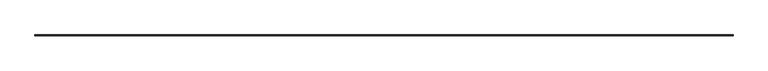
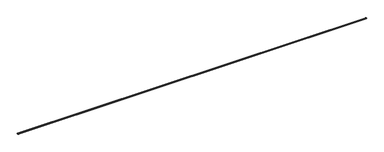
"""IFC4 building model written with IfcOpenShell, lengths in millimetres: railing geometry."""

from ifc_helpers import new_model, si_unit, frame, origin, place, context, project, spatial, polyline, circle_curve, ellipse_curve, source, transform, mapped, element, save
from ifc_brep_helpers import plane_surface, cylinder_surface, revolved_surface, advanced_brep


def railing_92af190b(model_context):
    return source(origin(), model_context, "Body", "AdvancedBrep", [
        advanced_brep(
        [(-23680.3018474, 76102.608383, 656.713617), (-23682.2873717, 76100.6228587, 647.6923086), (-41992.7798845, 76100.6228587, 647.6923086), (-41994.7654088, 76102.608383, 656.713617), (-23692.4260699, 76090.4841604, 647.6923086), (-41982.6411862, 76090.4841604, 647.6923086), (-23693.5336281, 76089.3766023, 710.2155039), (-23693.5336281, 76089.3766023, 711.2076914), (-41981.5336281, 76089.3766023, 711.2076914), (-41981.5336281, 76089.3766023, 710.2155039), (-23692.4260699, 76090.4841604, 648.6844961), (-41982.6411862, 76090.4841604, 648.6844961), (-23688.9064963, 76088.5828523, 710.2155039), (-23686.2913031, 76088.5828523, 706.5764084), (-23682.96413, 76088.5828523, 697.7740484), (-23682.1473596, 76088.5828523, 695.4527562), (-23682.1151282, 76088.5828523, 678.8156138), (-23682.92987, 76088.5828523, 676.5016201), (-23683.277925, 76088.5828523, 669.619758), (-23680.802944, 76088.5828523, 655.8572653), (-23682.3378427, 76088.5828523, 648.6844961), (-23692.4260699, 76088.5828523, 648.6844961), (-23692.4260699, 76088.5828523, 647.6923086), (-23682.2873717, 76088.5828523, 647.6923086), (-23680.3018474, 76088.5828523, 656.713617), (-23682.5098693, 76088.5828523, 668.9916446), (-23682.102361, 76088.5828523, 677.0490367), (-23681.8131277, 76088.5828523, 677.8705045), (-23681.8490233, 76088.5828523, 696.3990286), (-23682.1389768, 76088.5828523, 697.2230873), (-23686.0020665, 76088.5828523, 707.5260865), (-23687.7358472, 76088.5828523, 711.2076914), (-23693.5336281, 76088.5828523, 711.2076914), (-23693.5336281, 76088.5828523, 710.2155039), (-41986.1607599, 76088.5828523, 710.2155039), (-41981.5336281, 76088.5828523, 710.2155039), (-41981.5336281, 76088.5828523, 711.2076914), (-41987.331409, 76088.5828523, 711.2076914), (-41989.0651896, 76088.5828523, 707.5260865), (-41992.9282794, 76088.5828523, 697.2230873), (-41993.2182329, 76088.5828523, 696.3990286), (-41993.2541285, 76088.5828523, 677.8705045), (-41992.9648951, 76088.5828523, 677.0490367), (-41992.5573869, 76088.5828523, 668.9916446), (-41994.7654088, 76088.5828523, 656.713617), (-41992.7798845, 76088.5828523, 647.6923086), (-41982.6411862, 76088.5828523, 647.6923086), (-41982.6411862, 76088.5828523, 648.6844961), (-41992.7294135, 76088.5828523, 648.6844961), (-41994.2643122, 76088.5828523, 655.8572653), (-41991.7893311, 76088.5828523, 669.619758), (-41992.1373862, 76088.5828523, 676.5016201), (-41992.9521279, 76088.5828523, 678.8156138), (-41992.9198965, 76088.5828523, 695.4527562), (-41992.1031261, 76088.5828523, 697.7740484), (-41988.7759531, 76088.5828523, 706.5764084), (-23686.2913031, 76096.6189273, 706.5764084), (-23688.9064963, 76094.0037341, 710.2155039), (-41986.1607599, 76094.0037341, 710.2155039), (-41988.7759531, 76096.6189273, 706.5764084), (-23682.96413, 76099.9461004, 697.7740484), (-41992.1031261, 76099.9461004, 697.7740484), (-23682.1473596, 76100.7628708, 695.4527562), (-41992.9198965, 76100.7628708, 695.4527562), (-23682.1151282, 76100.7951022, 678.8156138), (-41992.9521279, 76100.7951022, 678.8156138), (-23682.92987, 76099.9803604, 676.5016201), (-41992.1373862, 76099.9803604, 676.5016201), (-23683.277925, 76099.6323054, 669.619758), (-41991.7893311, 76099.6323054, 669.619758), (-23680.802944, 76102.1072864, 655.8572653), (-41994.2643122, 76102.1072864, 655.8572653), (-23682.3378427, 76100.5723877, 648.6844961), (-41992.7294135, 76100.5723877, 648.6844961), (-23687.7358472, 76095.1743832, 711.2076914), (-41987.331409, 76095.1743832, 711.2076914), (-23686.0020665, 76096.9081639, 707.5260865), (-41989.0651896, 76096.9081639, 707.5260865), (-23682.1389768, 76100.7712536, 697.2230873), (-41992.9282794, 76100.7712536, 697.2230873), (-23681.8490233, 76101.0612071, 696.3990286), (-41993.2182329, 76101.0612071, 696.3990286), (-23681.8131277, 76101.0971027, 677.8705045), (-41993.2541285, 76101.0971027, 677.8705045), (-23682.102361, 76100.8078694, 677.0490367), (-41992.9648951, 76100.8078694, 677.0490367), (-23682.5098693, 76100.4003611, 668.9916446), (-41992.5573869, 76100.4003611, 668.9916446)],
        [
            (0, 1, ellipse_curve(frame((-23682.7533955, 76100.1568349, 652.524031), z_axis=(-0.7071067811865461, 0.7071067811865488, 0.0), x_axis=(0.7071067811865489, 0.707106781186546, 0.0)), 6.8647971, 4.8541446)),
            (1, 2),
            (2, 3, ellipse_curve(frame((-41992.3138606, 76100.1568349, 652.524031), z_axis=(0.7071067811865488, 0.7071067811865461, 0.0), x_axis=(0.7071067811865462, -0.7071067811865487, 0.0)), 6.8647971, 4.8541446)),
            (3, 0),
            (1, 4),
            (4, 5),
            (5, 2),
            (6, 7),
            (7, 8),
            (8, 9),
            (9, 6),
            (4, 10),
            (10, 11),
            (11, 5),
            (12, 13, circle_curve(frame((-23685.0669614, 76088.5828523, 710.2155039), z_axis=(0.0, -1.0, 0.0), x_axis=(-1.0, 0.0, 0.0)), 3.8395349)),
            (13, 14, circle_curve(frame((-23687.7743258, 76088.5828523, 700.9858527), z_axis=(0.0, 1.0, 0.0), x_axis=(0.2564046523172207, 0.0, 0.9665695289373059)), 5.7839147)),
            (14, 15, circle_curve(frame((-23681.6848227, 76088.5828523, 696.9198452), z_axis=(0.0, -1.0, 0.0), x_axis=(-0.8316505249953481, 0.0, 0.5552993825631016)), 1.5382752)),
            (15, 16, circle_curve(frame((-23684.7716126, 76088.5828523, 687.1290698), z_axis=(0.0, 1.0, 0.0), x_axis=(0.30068544647029055, 0.0, 0.9537233677964287)), 8.7275689)),
            (16, 17, circle_curve(frame((-23681.6469103, 76088.5828523, 677.350328), z_axis=(0.0, -1.0, 0.0), x_axis=(-0.30437850131076744, 0.0, 0.9525511681478382)), 1.5382752)),
            (17, 18, circle_curve(frame((-23687.7743258, 76088.5828523, 673.2968992), z_axis=(0.0, 1.0, 0.0), x_axis=(0.8340248106357641, 0.0, 0.5517269390232616)), 5.8085271)),
            (18, 19, circle_curve(frame((-23676.1572715, 76088.5828523, 663.7965116), z_axis=(0.0, -1.0, 0.0), x_axis=(-0.774103421627437, 0.0, 0.6330591541275545)), 9.1985817)),
            (19, 20, circle_curve(frame((-23682.7533955, 76088.5828523, 652.524031), z_axis=(0.0, 1.0, 0.0), x_axis=(0.5050422631260124, 0.0, 0.8630946138498119)), 3.8619571)),
            (20, 21),
            (21, 22),
            (22, 23),
            (23, 24, circle_curve(frame((-23682.7533955, 76088.5828523, 652.524031), z_axis=(0.0, -1.0, 0.0), x_axis=(0.5050422631260124, 0.0, 0.8630946138498119)), 4.8541446)),
            (24, 25, circle_curve(frame((-23676.1572715, 76088.5828523, 663.7965116), z_axis=(0.0, 1.0, 0.0), x_axis=(-0.774103421627437, 0.0, 0.6330591541275545)), 8.2063942)),
            (25, 26, circle_curve(frame((-23687.7743258, 76088.5828523, 673.2968992), z_axis=(0.0, -1.0, 0.0), x_axis=(0.8340248106357641, 0.0, 0.5517269390232616)), 6.8007146)),
            (26, 27, circle_curve(frame((-23681.6469103, 76088.5828523, 677.350328), z_axis=(0.0, 1.0, 0.0), x_axis=(-0.30437850131076744, 0.0, 0.9525511681478382)), 0.5460877)),
            (27, 28, circle_curve(frame((-23684.7716126, 76088.5828523, 687.1290698), z_axis=(0.0, -1.0, 0.0), x_axis=(0.30068544647029055, 0.0, 0.9537233677964287)), 9.7197564)),
            (28, 29, circle_curve(frame((-23681.6848227, 76088.5828523, 696.9198452), z_axis=(0.0, 1.0, 0.0), x_axis=(-0.8316505249953481, 0.0, 0.5552993825631016)), 0.5460877)),
            (29, 30, circle_curve(frame((-23687.7743258, 76088.5828523, 700.9858527), z_axis=(0.0, -1.0, 0.0), x_axis=(0.2564046523172207, 0.0, 0.9665695289373059)), 6.7761022)),
            (30, 31, circle_curve(frame((-23685.0669614, 76088.5828523, 710.2155039), z_axis=(0.0, 1.0, 0.0), x_axis=(-1.0, 0.0, 0.0)), 2.8473474)),
            (31, 32),
            (32, 33),
            (33, 12),
            (34, 35),
            (35, 36),
            (36, 37),
            (37, 38, circle_curve(frame((-41990.0002948, 76088.5828523, 710.2155039), z_axis=(0.0, 1.0, 0.0), x_axis=(1.0, 0.0, 0.0)), 2.8473474)),
            (38, 39, circle_curve(frame((-41987.2929304, 76088.5828523, 700.9858527), z_axis=(0.0, -1.0, 0.0), x_axis=(-0.2564046523172207, 0.0, 0.9665695289373059)), 6.7761022)),
            (39, 40, circle_curve(frame((-41993.3824335, 76088.5828523, 696.9198452), z_axis=(0.0, 1.0, 0.0), x_axis=(0.8316505249953481, 0.0, 0.5552993825631016)), 0.5460877)),
            (40, 41, circle_curve(frame((-41990.2956436, 76088.5828523, 687.1290698), z_axis=(0.0, -1.0, 0.0), x_axis=(-0.30068544647029055, 0.0, 0.9537233677964287)), 9.7197564)),
            (41, 42, circle_curve(frame((-41993.4203458, 76088.5828523, 677.350328), z_axis=(0.0, 1.0, 0.0), x_axis=(0.30437850131076744, 0.0, 0.9525511681478382)), 0.5460877)),
            (42, 43, circle_curve(frame((-41987.2929304, 76088.5828523, 673.2968992), z_axis=(0.0, -1.0, 0.0), x_axis=(-0.8340248106357641, 0.0, 0.5517269390232616)), 6.8007146)),
            (43, 44, circle_curve(frame((-41998.9099847, 76088.5828523, 663.7965116), z_axis=(0.0, 1.0, 0.0), x_axis=(0.774103421627437, 0.0, 0.6330591541275545)), 8.2063942)),
            (44, 45, circle_curve(frame((-41992.3138606, 76088.5828523, 652.524031), z_axis=(0.0, -1.0, 0.0), x_axis=(-0.5050422631260124, 0.0, 0.8630946138498119)), 4.8541446)),
            (45, 46),
            (46, 47),
            (47, 48),
            (48, 49, circle_curve(frame((-41992.3138606, 76088.5828523, 652.524031), z_axis=(0.0, 1.0, 0.0), x_axis=(-0.5050422631260124, 0.0, 0.8630946138498119)), 3.8619571)),
            (49, 50, circle_curve(frame((-41998.9099847, 76088.5828523, 663.7965116), z_axis=(0.0, -1.0, 0.0), x_axis=(0.774103421627437, 0.0, 0.6330591541275545)), 9.1985817)),
            (50, 51, circle_curve(frame((-41987.2929304, 76088.5828523, 673.2968992), z_axis=(0.0, 1.0, 0.0), x_axis=(-0.8340248106357641, 0.0, 0.5517269390232616)), 5.8085271)),
            (51, 52, circle_curve(frame((-41993.4203458, 76088.5828523, 677.350328), z_axis=(0.0, -1.0, 0.0), x_axis=(0.30437850131076744, 0.0, 0.9525511681478382)), 1.5382752)),
            (52, 53, circle_curve(frame((-41990.2956436, 76088.5828523, 687.1290698), z_axis=(0.0, 1.0, 0.0), x_axis=(-0.30068544647029055, 0.0, 0.9537233677964287)), 8.7275689)),
            (53, 54, circle_curve(frame((-41993.3824335, 76088.5828523, 696.9198452), z_axis=(0.0, -1.0, 0.0), x_axis=(0.8316505249953481, 0.0, 0.5552993825631016)), 1.5382752)),
            (54, 55, circle_curve(frame((-41987.2929304, 76088.5828523, 700.9858527), z_axis=(0.0, 1.0, 0.0), x_axis=(-0.2564046523172207, 0.0, 0.9665695289373059)), 5.7839147)),
            (55, 34, circle_curve(frame((-41990.0002948, 76088.5828523, 710.2155039), z_axis=(0.0, -1.0, 0.0), x_axis=(1.0, 0.0, 0.0)), 3.8395349)),
            (56, 57, ellipse_curve(frame((-23685.0669614, 76097.843269, 710.2155039), z_axis=(-0.7071067811865461, 0.7071067811865488, 0.0), x_axis=(0.7071067811865489, 0.707106781186546, 0.0)), 5.4299223, 3.8395349)),
            (57, 58),
            (58, 59, ellipse_curve(frame((-41990.0002948, 76097.843269, 710.2155039), z_axis=(0.7071067811865488, 0.7071067811865461, 0.0), x_axis=(0.7071067811865462, -0.7071067811865487, 0.0)), 5.4299223, 3.8395349)),
            (59, 56),
            (60, 56, ellipse_curve(frame((-23687.7743258, 76095.1359046, 700.9858527), z_axis=(0.7071067811865461, -0.7071067811865488, 0.0), x_axis=(-0.7071067811865489, -0.707106781186546, 0.0)), 8.1796907, 5.7839147)),
            (59, 61, ellipse_curve(frame((-41987.2929304, 76095.1359046, 700.9858527), z_axis=(-0.7071067811865488, -0.7071067811865461, 0.0), x_axis=(-0.7071067811865462, 0.7071067811865487, 0.0)), 8.1796907, 5.7839147)),
            (61, 60),
            (62, 60, ellipse_curve(frame((-23681.6848227, 76101.2254077, 696.9198452), z_axis=(-0.7071067811865461, 0.7071067811865488, 0.0), x_axis=(0.7071067811865489, 0.707106781186546, 0.0)), 2.1754496, 1.5382752)),
            (61, 63, ellipse_curve(frame((-41993.3824335, 76101.2254077, 696.9198452), z_axis=(0.7071067811865488, 0.7071067811865461, 0.0), x_axis=(0.7071067811865462, -0.7071067811865487, 0.0)), 2.1754496, 1.5382752)),
            (63, 62),
            (64, 62, ellipse_curve(frame((-23684.7716126, 76098.1386178, 687.1290698), z_axis=(0.7071067811865461, -0.7071067811865488, 0.0), x_axis=(-0.7071067811865489, -0.707106781186546, 0.0)), 12.3426463, 8.7275689)),
            (63, 65, ellipse_curve(frame((-41990.2956436, 76098.1386178, 687.1290698), z_axis=(-0.7071067811865488, -0.7071067811865461, 0.0), x_axis=(-0.7071067811865462, 0.7071067811865487, 0.0)), 12.3426463, 8.7275689)),
            (65, 64),
            (66, 64, ellipse_curve(frame((-23681.6469103, 76101.26332, 677.350328), z_axis=(-0.7071067811865461, 0.7071067811865488, 0.0), x_axis=(0.7071067811865489, 0.707106781186546, 0.0)), 2.1754496, 1.5382752)),
            (65, 67, ellipse_curve(frame((-41993.4203458, 76101.26332, 677.350328), z_axis=(0.7071067811865488, 0.7071067811865461, 0.0), x_axis=(0.7071067811865462, -0.7071067811865487, 0.0)), 2.1754496, 1.5382752)),
            (67, 66),
            (68, 66, ellipse_curve(frame((-23687.7743258, 76095.1359046, 673.2968992), z_axis=(0.7071067811865461, -0.7071067811865488, 0.0), x_axis=(-0.7071067811865489, -0.707106781186546, 0.0)), 8.2144978, 5.8085271)),
            (67, 69, ellipse_curve(frame((-41987.2929304, 76095.1359046, 673.2968992), z_axis=(-0.7071067811865488, -0.7071067811865461, 0.0), x_axis=(-0.7071067811865462, 0.7071067811865487, 0.0)), 8.2144978, 5.8085271)),
            (69, 68),
            (70, 68, ellipse_curve(frame((-23676.1572715, 76106.7529589, 663.7965116), z_axis=(-0.7071067811865461, 0.7071067811865488, 0.0), x_axis=(0.7071067811865489, 0.707106781186546, 0.0)), 13.0087589, 9.1985817)),
            (69, 71, ellipse_curve(frame((-41998.9099847, 76106.7529589, 663.7965116), z_axis=(0.7071067811865488, 0.7071067811865461, 0.0), x_axis=(0.7071067811865462, -0.7071067811865487, 0.0)), 13.0087589, 9.1985817)),
            (71, 70),
            (72, 70, ellipse_curve(frame((-23682.7533955, 76100.1568349, 652.524031), z_axis=(0.7071067811865461, -0.7071067811865488, 0.0), x_axis=(-0.7071067811865489, -0.707106781186546, 0.0)), 5.461632, 3.8619571)),
            (71, 73, ellipse_curve(frame((-41992.3138606, 76100.1568349, 652.524031), z_axis=(-0.7071067811865488, -0.7071067811865461, 0.0), x_axis=(-0.7071067811865462, 0.7071067811865487, 0.0)), 5.461632, 3.8619571)),
            (73, 72),
            (10, 72),
            (73, 11),
            (7, 74),
            (74, 75),
            (75, 8),
            (74, 76, ellipse_curve(frame((-23685.0669614, 76097.843269, 710.2155039), z_axis=(0.7071067811865461, -0.7071067811865488, 0.0), x_axis=(-0.7071067811865489, -0.707106781186546, 0.0)), 4.0267573, 2.8473474)),
            (76, 77),
            (77, 75, ellipse_curve(frame((-41990.0002948, 76097.843269, 710.2155039), z_axis=(-0.7071067811865488, -0.7071067811865461, 0.0), x_axis=(-0.7071067811865462, 0.7071067811865487, 0.0)), 4.0267573, 2.8473474)),
            (76, 78, ellipse_curve(frame((-23687.7743258, 76095.1359046, 700.9858527), z_axis=(-0.7071067811865461, 0.7071067811865488, 0.0), x_axis=(0.7071067811865489, 0.707106781186546, 0.0)), 9.5828557, 6.7761022)),
            (78, 79),
            (79, 77, ellipse_curve(frame((-41987.2929304, 76095.1359046, 700.9858527), z_axis=(0.7071067811865488, 0.7071067811865461, 0.0), x_axis=(0.7071067811865462, -0.7071067811865487, 0.0)), 9.5828557, 6.7761022)),
            (78, 80, ellipse_curve(frame((-23681.6848227, 76101.2254077, 696.9198452), z_axis=(0.7071067811865461, -0.7071067811865488, 0.0), x_axis=(-0.7071067811865489, -0.707106781186546, 0.0)), 0.7722846, 0.5460877)),
            (80, 81),
            (81, 79, ellipse_curve(frame((-41993.3824335, 76101.2254077, 696.9198452), z_axis=(-0.7071067811865488, -0.7071067811865461, 0.0), x_axis=(-0.7071067811865462, 0.7071067811865487, 0.0)), 0.7722846, 0.5460877)),
            (80, 82, ellipse_curve(frame((-23684.7716126, 76098.1386178, 687.1290698), z_axis=(-0.7071067811865461, 0.7071067811865488, 0.0), x_axis=(0.7071067811865489, 0.707106781186546, 0.0)), 13.7458113, 9.7197564)),
            (82, 83),
            (83, 81, ellipse_curve(frame((-41990.2956436, 76098.1386178, 687.1290698), z_axis=(0.7071067811865488, 0.7071067811865461, 0.0), x_axis=(0.7071067811865462, -0.7071067811865487, 0.0)), 13.7458113, 9.7197564)),
            (82, 84, ellipse_curve(frame((-23681.6469103, 76101.26332, 677.350328), z_axis=(0.7071067811865461, -0.7071067811865488, 0.0), x_axis=(-0.7071067811865489, -0.707106781186546, 0.0)), 0.7722846, 0.5460877)),
            (84, 85),
            (85, 83, ellipse_curve(frame((-41993.4203458, 76101.26332, 677.350328), z_axis=(-0.7071067811865488, -0.7071067811865461, 0.0), x_axis=(-0.7071067811865462, 0.7071067811865487, 0.0)), 0.7722846, 0.5460877)),
            (84, 86, ellipse_curve(frame((-23687.7743258, 76095.1359046, 673.2968992), z_axis=(-0.7071067811865461, 0.7071067811865488, 0.0), x_axis=(0.7071067811865489, 0.707106781186546, 0.0)), 9.6176629, 6.8007146)),
            (86, 87),
            (87, 85, ellipse_curve(frame((-41987.2929304, 76095.1359046, 673.2968992), z_axis=(0.7071067811865488, 0.7071067811865461, 0.0), x_axis=(0.7071067811865462, -0.7071067811865487, 0.0)), 9.6176629, 6.8007146)),
            (86, 0, ellipse_curve(frame((-23676.1572715, 76106.7529589, 663.7965116), z_axis=(0.7071067811865461, -0.7071067811865488, 0.0), x_axis=(-0.7071067811865489, -0.707106781186546, 0.0)), 11.6055939, 8.2063942)),
            (3, 87, ellipse_curve(frame((-41998.9099847, 76106.7529589, 663.7965116), z_axis=(-0.7071067811865488, -0.7071067811865461, 0.0), x_axis=(-0.7071067811865462, 0.7071067811865487, 0.0)), 11.6055939, 8.2063942)),
            (57, 6),
            (9, 58),
            (33, 6),
            (57, 12),
            (20, 72),
            (10, 21),
            (19, 70),
            (18, 68),
            (17, 66),
            (16, 64),
            (15, 62),
            (14, 60),
            (13, 56),
            (9, 35),
            (34, 58),
            (73, 48),
            (47, 11),
            (71, 49),
            (69, 50),
            (67, 51),
            (65, 52),
            (63, 53),
            (61, 54),
            (59, 55),
            (28, 80),
            (78, 29),
            (76, 30),
            (74, 31),
            (7, 32),
            (27, 82),
            (81, 40),
            (39, 79),
            (38, 77),
            (37, 75),
            (36, 8),
            (83, 41),
            (22, 4),
            (1, 23),
            (0, 24),
            (86, 25),
            (84, 26),
            (5, 46),
            (45, 2),
            (44, 3),
            (43, 87),
            (42, 85),
        ],
        [
            cylinder_surface(frame((-23693.5336281, 76100.1568349, 652.524031), z_axis=(1.0000000000000002, 0.0, 0.0), x_axis=(0.0, 0.5050422631260124, 0.8630946138498119)), 4.8541446),
            plane_surface(frame((-23692.4260699, 76090.4841604, 647.6923086), z_axis=(0.0, 0.0, -1.0), x_axis=(-1.0, 0.0, 0.0))),
            plane_surface(frame((-23693.5336281, 76089.3766023, 711.2076914), z_axis=(0.0, -1.0, 0.0), x_axis=(-1.0, 0.0, 0.0))),
            plane_surface(frame((-23692.4260699, 76090.4841604, 648.6844961), z_axis=(0.0, -1.0, 0.0), x_axis=(-1.0, 0.0, 0.0))),
            plane_surface(frame((-23693.5336281, 76088.5828523, 711.2), z_axis=(0.0, -1.0, 0.0), x_axis=(0.0, 0.0, 1.0))),
            plane_surface(frame((-41981.5336281, 76088.5828523, 711.2), z_axis=(0.0, -1.0, 0.0), x_axis=(0.0, 0.0, -1.0))),
            cylinder_surface(frame((-23693.5336281, 76097.843269, 710.2155039), z_axis=(1.0, 0.0, 0.0), x_axis=(0.0, -1.0, 0.0)), 3.8395349),
            revolved_surface(polyline([(-41993.07684516198, 76096.61892723768, 706.5764084069925), (-23681.990411038023, 76096.61892723768, 706.5764084069925)]), (-23693.5336281, 76095.1359046, 700.9858527), (-1.0000000000000002, 0.0, 0.0)),
            cylinder_surface(frame((-23693.5336281, 76101.2254077, 696.9198452), z_axis=(1.0, 0.0, 0.0), x_axis=(0.0, -0.8316505249953481, 0.5552993825631016)), 1.5382752),
            revolved_surface(polyline([(-41999.02321249652, 76100.76287075129, 695.4527562039834), (-23676.044043703485, 76100.76287075129, 695.4527562039834)]), (-23693.5336281, 76098.1386178, 687.1290698), (-1.0, 0.0, 0.0)),
            cylinder_surface(frame((-23693.5336281, 76101.26332, 677.350328), z_axis=(1.0, 0.0, 0.0), x_axis=(0.0, -0.30437850131076744, 0.9525511681478382)), 1.5382752),
            revolved_surface(polyline([(-41993.10145749842, 76099.98036031464, 676.5016200771166), (-23681.965798701578, 76099.98036031464, 676.5016200771166)]), (-23693.5336281, 76095.1359046, 673.2968992), (-1.0, 0.0, 0.0)),
            cylinder_surface(frame((-23693.5336281, 76106.7529589, 663.7965116), z_axis=(1.0000000000000002, 0.0, 0.0), x_axis=(0.0, -0.774103421627437, 0.6330591541275545)), 9.1985817),
            revolved_surface(polyline([(-41996.17581762355, 76102.10728645389, 655.8572653719291), (-23678.891438476454, 76102.10728645389, 655.8572653719291)]), (-23693.5336281, 76100.1568349, 652.524031), (-1.0000000000000002, 0.0, 0.0)),
            plane_surface(frame((-23682.3378427, 76100.5723877, 648.6844961), z_axis=(0.0, 0.0, 1.0), x_axis=(-1.0, 0.0, 0.0))),
            plane_surface(frame((-23687.7358472, 76095.1743832, 711.2076914), z_axis=(0.0, 0.0, 1.0), x_axis=(-1.0, 0.0, 0.0))),
            revolved_surface(polyline([(-41992.84764219302, 76094.9959216, 710.2155039), (-23682.21961400698, 76094.9959216, 710.2155039)]), (-23693.5336281, 76097.843269, 710.2155039), (-1.0, 0.0, 0.0)),
            cylinder_surface(frame((-23693.5336281, 76095.1359046, 700.9858527), z_axis=(1.0000000000000002, 0.0, 0.0), x_axis=(0.0, 0.2564046523172207, 0.9665695289373059)), 6.7761022),
            revolved_surface(polyline([(-41993.92852117767, 76100.7712535776, 697.2230873626354), (-23681.138735022334, 76100.7712535776, 697.2230873626354)]), (-23693.5336281, 76101.2254077, 696.9198452), (-1.0, 0.0, 0.0)),
            cylinder_surface(frame((-23693.5336281, 76098.1386178, 687.1290698), z_axis=(1.0, 0.0, 0.0), x_axis=(0.0, 0.30068544647029055, 0.9537233677964287)), 9.7197564),
            revolved_surface(polyline([(-41993.96643347766, 76101.09710264429, 677.8705044765461), (-23681.100822622335, 76101.09710264429, 677.8705044765461)]), (-23693.5336281, 76101.26332, 677.350328), (-1.0, 0.0, 0.0)),
            cylinder_surface(frame((-23693.5336281, 76095.1359046, 673.2968992), z_axis=(1.0, 0.0, 0.0), x_axis=(0.0, 0.8340248106357641, 0.5517269390232616)), 6.8007146),
            revolved_surface(polyline([(-42007.1163788464, 76100.40036107055, 668.9916445706893), (-23667.950877353614, 76100.40036107055, 668.9916445706893)]), (-23693.5336281, 76106.7529589, 663.7965116), (-1.0000000000000002, 0.0, 0.0)),
            plane_surface(frame((-23693.5336281, 76089.3766023, 710.2155039), z_axis=(0.0, 0.0, -1.0), x_axis=(-1.0, 0.0, 0.0))),
            plane_surface(frame((-23693.5336281, 76088.5828523, 710.2155039), z_axis=(0.0, 0.0, -1.0), x_axis=(0.0, 1.0, 0.0))),
            plane_surface(frame((-23682.3378427, 76088.5828523, 648.6844961), z_axis=(0.0, 0.0, 1.0), x_axis=(0.0, 1.0, 0.0))),
            revolved_surface(polyline([(-23680.80294394612, 76104.01879192355, 655.8572653719291), (-23680.80294394612, 76088.5828523, 655.8572653719291)]), (-23682.7533955, 76088.5828523, 652.524031), (0.0, 1.0000000000000002, 0.0)),
            cylinder_surface(frame((-23676.1572715, 76088.5828523, 663.7965116), z_axis=(0.0, -1.0000000000000002, 0.0), x_axis=(-0.774103421627437, 0.0, 0.6330591541275545)), 9.1985817),
            revolved_surface(polyline([(-23682.92987008535, 76100.94443169842, 676.5016200771166), (-23682.92987008535, 76088.5828523, 676.5016200771166)]), (-23687.7743258, 76088.5828523, 673.2968992), (0.0, 1.0, 0.0)),
            cylinder_surface(frame((-23681.6469103, 76088.5828523, 677.350328), z_axis=(0.0, -1.0, 0.0), x_axis=(-0.30437850131076744, 0.0, 0.9525511681478382)), 1.5382752),
            revolved_surface(polyline([(-23682.147359648705, 76106.86618669651, 695.4527562039834), (-23682.147359648705, 76088.5828523, 695.4527562039834)]), (-23684.7716126, 76088.5828523, 687.1290698), (0.0, 1.0, 0.0)),
            cylinder_surface(frame((-23681.6848227, 76088.5828523, 696.9198452), z_axis=(0.0, -1.0, 0.0), x_axis=(-0.8316505249953481, 0.0, 0.5552993825631016)), 1.5382752),
            revolved_surface(polyline([(-23686.291303162314, 76100.91981936198, 706.5764084069925), (-23686.291303162314, 76088.5828523, 706.5764084069925)]), (-23687.7743258, 76088.5828523, 700.9858527), (0.0, 1.0000000000000002, 0.0)),
            cylinder_surface(frame((-23685.0669614, 76088.5828523, 710.2155039), z_axis=(0.0, -1.0, 0.0), x_axis=(-1.0, 0.0, 0.0)), 3.8395349),
            plane_surface(frame((-41981.5336281, 76089.3766023, 710.2155039), z_axis=(0.0, 0.0, -1.0), x_axis=(0.0, -1.0, 0.0))),
            plane_surface(frame((-41992.7294135, 76100.5723877, 648.6844961), z_axis=(0.0, 0.0, 1.0), x_axis=(0.0, -1.0, 0.0))),
            revolved_surface(polyline([(-41994.26431215388, 76088.5828523, 655.8572653719291), (-41994.26431215388, 76104.01879192355, 655.8572653719291)]), (-41992.3138606, 76089.3766023, 652.524031), (0.0, -1.0000000000000002, 0.0)),
            cylinder_surface(frame((-41998.9099847, 76089.3766023, 663.7965116), z_axis=(0.0, 1.0000000000000002, 0.0), x_axis=(0.774103421627437, 0.0, 0.6330591541275545)), 9.1985817),
            revolved_surface(polyline([(-41992.13738611465, 76088.5828523, 676.5016200771166), (-41992.13738611465, 76100.94443169842, 676.5016200771166)]), (-41987.2929304, 76089.3766023, 673.2968992), (0.0, -1.0, 0.0)),
            cylinder_surface(frame((-41993.4203458, 76089.3766023, 677.350328), z_axis=(0.0, 1.0, 0.0), x_axis=(0.30437850131076744, 0.0, 0.9525511681478382)), 1.5382752),
            revolved_surface(polyline([(-41992.9198965513, 76088.5828523, 695.4527562039834), (-41992.9198965513, 76106.86618669651, 695.4527562039834)]), (-41990.2956436, 76089.3766023, 687.1290698), (0.0, -1.0, 0.0)),
            cylinder_surface(frame((-41993.3824335, 76089.3766023, 696.9198452), z_axis=(0.0, 1.0, 0.0), x_axis=(0.8316505249953481, 0.0, 0.5552993825631016)), 1.5382752),
            revolved_surface(polyline([(-41988.775953037686, 76088.5828523, 706.5764084069925), (-41988.775953037686, 76100.91981936198, 706.5764084069925)]), (-41987.2929304, 76089.3766023, 700.9858527), (0.0, -1.0000000000000002, 0.0)),
            cylinder_surface(frame((-41990.0002948, 76089.3766023, 710.2155039), z_axis=(0.0, 1.0, 0.0), x_axis=(1.0, 0.0, 0.0)), 3.8395349),
            revolved_surface(polyline([(-23682.1389768224, 76101.77149537766, 697.2230873626354), (-23682.1389768224, 76088.5828523, 697.2230873626354)]), (-23681.6848227, 76088.5828523, 696.9198452), (0.0, 1.0, 0.0)),
            cylinder_surface(frame((-23687.7743258, 76088.5828523, 700.9858527), z_axis=(0.0, -1.0000000000000002, 0.0), x_axis=(0.2564046523172207, 0.0, 0.9665695289373059)), 6.7761022),
            revolved_surface(polyline([(-23687.9143088, 76100.69061639303, 710.2155039), (-23687.9143088, 76088.5828523, 710.2155039)]), (-23685.0669614, 76088.5828523, 710.2155039), (0.0, 1.0, 0.0)),
            plane_surface(frame((-23687.7358472, 76088.5828523, 711.2076914), z_axis=(0.0, 0.0, 1.0), x_axis=(0.0, 1.0, 0.0))),
            cylinder_surface(frame((-23684.7716126, 76088.5828523, 687.1290698), z_axis=(0.0, -1.0, 0.0), x_axis=(0.30068544647029055, 0.0, 0.9537233677964287)), 9.7197564),
            revolved_surface(polyline([(-41992.92827937761, 76088.5828523, 697.2230873626354), (-41992.92827937761, 76101.77149537766, 697.2230873626354)]), (-41993.3824335, 76089.3766023, 696.9198452), (0.0, -1.0, 0.0)),
            cylinder_surface(frame((-41987.2929304, 76089.3766023, 700.9858527), z_axis=(0.0, 1.0000000000000002, 0.0), x_axis=(-0.2564046523172207, 0.0, 0.9665695289373059)), 6.7761022),
            revolved_surface(polyline([(-41987.1529474, 76088.5828523, 710.2155039), (-41987.1529474, 76100.69061639303, 710.2155039)]), (-41990.0002948, 76089.3766023, 710.2155039), (0.0, -1.0, 0.0)),
            plane_surface(frame((-41987.331409, 76095.1743832, 711.2076914), z_axis=(0.0, 0.0, 1.0), x_axis=(0.0, -1.0, 0.0))),
            cylinder_surface(frame((-41990.2956436, 76089.3766023, 687.1290698), z_axis=(0.0, 1.0, 0.0), x_axis=(-0.30068544647029055, 0.0, 0.9537233677964287)), 9.7197564),
            plane_surface(frame((-23692.4260699, 76088.5828523, 647.6923086), z_axis=(0.0, 0.0, -1.0), x_axis=(2.2781517772524376e-12, 1.0, 0.0))),
            cylinder_surface(frame((-23682.7533955, 76088.5828523, 652.524031), z_axis=(0.0, -1.0000000000000002, 0.0), x_axis=(0.5050422631260124, 0.0, 0.8630946138498119)), 4.8541446),
            revolved_surface(polyline([(-23682.509869329442, 76114.95935304639, 668.9916445706893), (-23682.509869329442, 76088.5828523, 668.9916445706893)]), (-23676.1572715, 76088.5828523, 663.7965116), (0.0, 1.0000000000000002, 0.0)),
            cylinder_surface(frame((-23687.7743258, 76088.5828523, 673.2968992), z_axis=(0.0, -1.0, 0.0), x_axis=(0.8340248106357641, 0.0, 0.5517269390232616)), 6.8007146),
            revolved_surface(polyline([(-23681.81312765571, 76101.80940767766, 677.8705044765461), (-23681.81312765571, 76088.5828523, 677.8705044765461)]), (-23681.6469103, 76088.5828523, 677.350328), (0.0, 1.0, 0.0)),
            plane_surface(frame((-23692.4260699, 76088.5828523, 648.6844961), z_axis=(-1.0, 2.2781517772524376e-12, 0.0), x_axis=(2.2781517772524376e-12, 1.0, 0.0))),
            plane_surface(frame((-41982.6411862, 76090.4841604, 647.6923086), z_axis=(0.0, 0.0, -1.0), x_axis=(0.0, -1.0, 0.0))),
            cylinder_surface(frame((-41992.3138606, 76089.3766023, 652.524031), z_axis=(0.0, 1.0000000000000002, 0.0), x_axis=(-0.5050422631260124, 0.0, 0.8630946138498119)), 4.8541446),
            revolved_surface(polyline([(-41992.55738687056, 76088.5828523, 668.9916445706893), (-41992.55738687056, 76114.95935304639, 668.9916445706893)]), (-41998.9099847, 76089.3766023, 663.7965116), (0.0, -1.0000000000000002, 0.0)),
            cylinder_surface(frame((-41987.2929304, 76089.3766023, 673.2968992), z_axis=(0.0, 1.0, 0.0), x_axis=(-0.8340248106357641, 0.0, 0.5517269390232616)), 6.8007146),
            revolved_surface(polyline([(-41993.254128444285, 76088.5828523, 677.8705044765461), (-41993.254128444285, 76101.80940767766, 677.8705044765461)]), (-41993.4203458, 76089.3766023, 677.350328), (0.0, -1.0, 0.0)),
            plane_surface(frame((-41982.6411862, 76090.4841604, 648.6844961), z_axis=(1.0, 0.0, 0.0), x_axis=(0.0, -1.0, 0.0))),
            plane_surface(frame((-23693.5336281, 76088.5828523, 711.2076914), z_axis=(-1.0, 0.0, 0.0), x_axis=(0.0, 1.0, 0.0))),
            plane_surface(frame((-41981.5336281, 76089.3766023, 711.2076914), z_axis=(1.0, 0.0, 0.0), x_axis=(0.0, -1.0, 0.0))),
        ],
        [
            (0, [[1, 2, 3, 4]]),
            (1, [[5, 6, 7, -2]]),
            (2, [[8, 9, 10, 11]]),
            (3, [[12, 13, 14, -6]]),
            (4, [[15, 16, 17, 18, 19, 20, 21, 22, 23, 24, 25, 26, 27, 28, 29, 30, 31, 32, 33, 34, 35, 36]]),
            (5, [[37, 38, 39, 40, 41, 42, 43, 44, 45, 46, 47, 48, 49, 50, 51, 52, 53, 54, 55, 56, 57, 58]]),
            (6, [[59, 60, 61, 62]]),
            (7, [[63, -62, 64, 65]]),
            (8, [[66, -65, 67, 68]]),
            (9, [[69, -68, 70, 71]]),
            (10, [[72, -71, 73, 74]]),
            (11, [[75, -74, 76, 77]]),
            (12, [[78, -77, 79, 80]]),
            (13, [[81, -80, 82, 83]]),
            (14, [[84, -83, 85, -13]]),
            (15, [[86, 87, 88, -9]]),
            (16, [[89, 90, 91, -87]]),
            (17, [[92, 93, 94, -90]]),
            (18, [[95, 96, 97, -93]]),
            (19, [[98, 99, 100, -96]]),
            (20, [[101, 102, 103, -99]]),
            (21, [[104, 105, 106, -102]]),
            (22, [[107, -4, 108, -105]]),
            (23, [[109, -11, 110, -60]]),
            (24, [[-36, 111, -109, 112]]),
            (25, [[-23, 113, -84, 114]]),
            (26, [[-22, 115, -81, -113]]),
            (27, [[-21, 116, -78, -115]]),
            (28, [[-20, 117, -75, -116]]),
            (29, [[-19, 118, -72, -117]]),
            (30, [[-18, 119, -69, -118]]),
            (31, [[-17, 120, -66, -119]]),
            (32, [[-16, 121, -63, -120]]),
            (33, [[-15, -112, -59, -121]]),
            (34, [[-110, 122, -37, 123]]),
            (35, [[-85, 124, -50, 125]]),
            (36, [[-82, 126, -51, -124]]),
            (37, [[-79, 127, -52, -126]]),
            (38, [[-76, 128, -53, -127]]),
            (39, [[-73, 129, -54, -128]]),
            (40, [[-70, 130, -55, -129]]),
            (41, [[-67, 131, -56, -130]]),
            (42, [[-64, 132, -57, -131]]),
            (43, [[-61, -123, -58, -132]]),
            (44, [[-31, 133, -95, 134]]),
            (45, [[-32, -134, -92, 135]]),
            (46, [[-33, -135, -89, 136]]),
            (47, [[-34, -136, -86, 137]]),
            (48, [[-30, 138, -98, -133]]),
            (49, [[-97, 139, -42, 140]]),
            (50, [[-94, -140, -41, 141]]),
            (51, [[-91, -141, -40, 142]]),
            (52, [[-88, -142, -39, 143]]),
            (53, [[-100, 144, -43, -139]]),
            (54, [[-25, 145, -5, 146]]),
            (55, [[-26, -146, -1, 147]]),
            (56, [[-27, -147, -107, 148]]),
            (57, [[-28, -148, -104, 149]]),
            (58, [[-29, -149, -101, -138]]),
            (59, [[-24, -114, -12, -145]]),
            (60, [[-7, 150, -48, 151]]),
            (61, [[-3, -151, -47, 152]]),
            (62, [[-108, -152, -46, 153]]),
            (63, [[-106, -153, -45, 154]]),
            (64, [[-103, -154, -44, -144]]),
            (65, [[-14, -125, -49, -150]]),
            (66, [[-35, -137, -8, -111]]),
            (67, [[-10, -143, -38, -122]]),
        ],
    ),
        advanced_brep(
        [(-23688.9064963, 76088.5828523, 710.2155039), (-23693.5336281, 76088.5828523, 710.2155039), (-23693.5336281, 76088.5828523, 681.2959302), (-23689.6879401, 76088.5828523, 681.2959302), (-23689.6879401, 76088.5828523, 677.6040698), (-23693.5336281, 76088.5828523, 677.6040698), (-23693.5336281, 76088.5828523, 654.8375969), (-23692.4260699, 76088.5828523, 654.8375969), (-23692.4260699, 76088.5828523, 648.6844961), (-23682.3378427, 76088.5828523, 648.6844961), (-23680.802944, 76088.5828523, 655.8572653), (-23683.277925, 76088.5828523, 669.619758), (-23682.92987, 76088.5828523, 676.5016201), (-23682.1151282, 76088.5828523, 678.8156138), (-23682.1473596, 76088.5828523, 695.4527562), (-23682.96413, 76088.5828523, 697.7740484), (-23686.2913031, 76088.5828523, 706.5764084), (-41986.1607599, 76088.5828523, 710.2155039), (-41988.7759531, 76088.5828523, 706.5764084), (-41992.1031261, 76088.5828523, 697.7740484), (-41992.9198965, 76088.5828523, 695.4527562), (-41992.9521279, 76088.5828523, 678.8156138), (-41992.1373862, 76088.5828523, 676.5016201), (-41991.7893311, 76088.5828523, 669.619758), (-41994.2643122, 76088.5828523, 655.8572653), (-41992.7294135, 76088.5828523, 648.6844961), (-41982.6411862, 76088.5828523, 648.6844961), (-41982.6411862, 76088.5828523, 654.8375969), (-41981.5336281, 76088.5828523, 654.8375969), (-41981.5336281, 76088.5828523, 677.6040698), (-41985.3793161, 76088.5828523, 677.6040698), (-41985.3793161, 76088.5828523, 681.2959302), (-41981.5336281, 76088.5828523, 681.2959302), (-41981.5336281, 76088.5828523, 710.2155039), (-23693.5336281, 76089.3766023, 677.6040698), (-23693.5336281, 76089.3766023, 654.8375969), (-23689.6879401, 76093.2222903, 677.6040698), (-23689.6879401, 76093.2222903, 681.2959302), (-23693.5336281, 76089.3766023, 681.2959302), (-23693.5336281, 76089.3766023, 710.2155039), (-41981.5336281, 76089.3766023, 677.6040698), (-41981.5336281, 76089.3766023, 654.8375969), (-41985.3793161, 76093.2222903, 677.6040698), (-41985.3793161, 76093.2222903, 681.2959302), (-41981.5336281, 76089.3766023, 681.2959302), (-41981.5336281, 76089.3766023, 710.2155039), (-23688.9064963, 76094.0037341, 710.2155039), (-23692.4260699, 76090.4841604, 654.8375969), (-23692.4260699, 76090.4841604, 648.6844961), (-23682.3378427, 76100.5723877, 648.6844961), (-23680.802944, 76102.1072864, 655.8572653), (-23683.277925, 76099.6323054, 669.619758), (-23682.92987, 76099.9803604, 676.5016201), (-23682.1151282, 76100.7951022, 678.8156138), (-23682.1473596, 76100.7628708, 695.4527562), (-23682.96413, 76099.9461004, 697.7740484), (-23686.2913031, 76096.6189273, 706.5764084), (-41986.1607599, 76094.0037341, 710.2155039), (-41982.6411862, 76090.4841604, 654.8375969), (-41982.6411862, 76090.4841604, 648.6844961), (-41992.7294135, 76100.5723877, 648.6844961), (-41994.2643122, 76102.1072864, 655.8572653), (-41991.7893311, 76099.6323054, 669.619758), (-41992.1373862, 76099.9803604, 676.5016201), (-41992.9521279, 76100.7951022, 678.8156138), (-41992.9198965, 76100.7628708, 695.4527562), (-41992.1031261, 76099.9461004, 697.7740484), (-41988.7759531, 76096.6189273, 706.5764084)],
        [
            (0, 1),
            (1, 2),
            (2, 3),
            (3, 4),
            (4, 5),
            (5, 6),
            (6, 7),
            (7, 8),
            (8, 9),
            (9, 10, circle_curve(frame((-23682.7533955, 76088.5828523, 652.524031), z_axis=(0.0, -1.0, 0.0), x_axis=(0.5050422631260124, 0.0, 0.8630946138498119)), 3.8619571)),
            (10, 11, circle_curve(frame((-23676.1572715, 76088.5828523, 663.7965116), z_axis=(0.0, 1.0, 0.0), x_axis=(-0.774103421627437, 0.0, 0.6330591541275545)), 9.1985817)),
            (11, 12, circle_curve(frame((-23687.7743258, 76088.5828523, 673.2968992), z_axis=(0.0, -1.0, 0.0), x_axis=(0.8340248106357641, 0.0, 0.5517269390232616)), 5.8085271)),
            (12, 13, circle_curve(frame((-23681.6469103, 76088.5828523, 677.350328), z_axis=(0.0, 1.0, 0.0), x_axis=(-0.30437850131076744, 0.0, 0.9525511681478382)), 1.5382752)),
            (13, 14, circle_curve(frame((-23684.7716126, 76088.5828523, 687.1290698), z_axis=(0.0, -1.0, 0.0), x_axis=(0.30068544647029055, 0.0, 0.9537233677964287)), 8.7275689)),
            (14, 15, circle_curve(frame((-23681.6848227, 76088.5828523, 696.9198452), z_axis=(0.0, 1.0, 0.0), x_axis=(-0.8316505249953481, 0.0, 0.5552993825631016)), 1.5382752)),
            (15, 16, circle_curve(frame((-23687.7743258, 76088.5828523, 700.9858527), z_axis=(0.0, -1.0, 0.0), x_axis=(0.2564046523172207, 0.0, 0.9665695289373059)), 5.7839147)),
            (16, 0, circle_curve(frame((-23685.0669614, 76088.5828523, 710.2155039), z_axis=(0.0, 1.0, 0.0), x_axis=(-1.0, 0.0, 0.0)), 3.8395349)),
            (17, 18, circle_curve(frame((-41990.0002948, 76088.5828523, 710.2155039), z_axis=(0.0, 1.0, 0.0), x_axis=(1.0, 0.0, 0.0)), 3.8395349)),
            (18, 19, circle_curve(frame((-41987.2929304, 76088.5828523, 700.9858527), z_axis=(0.0, -1.0, 0.0), x_axis=(-0.2564046523172207, 0.0, 0.9665695289373059)), 5.7839147)),
            (19, 20, circle_curve(frame((-41993.3824335, 76088.5828523, 696.9198452), z_axis=(0.0, 1.0, 0.0), x_axis=(0.8316505249953481, 0.0, 0.5552993825631016)), 1.5382752)),
            (20, 21, circle_curve(frame((-41990.2956436, 76088.5828523, 687.1290698), z_axis=(0.0, -1.0, 0.0), x_axis=(-0.30068544647029055, 0.0, 0.9537233677964287)), 8.7275689)),
            (21, 22, circle_curve(frame((-41993.4203458, 76088.5828523, 677.350328), z_axis=(0.0, 1.0, 0.0), x_axis=(0.30437850131076744, 0.0, 0.9525511681478382)), 1.5382752)),
            (22, 23, circle_curve(frame((-41987.2929304, 76088.5828523, 673.2968992), z_axis=(0.0, -1.0, 0.0), x_axis=(-0.8340248106357641, 0.0, 0.5517269390232616)), 5.8085271)),
            (23, 24, circle_curve(frame((-41998.9099847, 76088.5828523, 663.7965116), z_axis=(0.0, 1.0, 0.0), x_axis=(0.774103421627437, 0.0, 0.6330591541275545)), 9.1985817)),
            (24, 25, circle_curve(frame((-41992.3138606, 76088.5828523, 652.524031), z_axis=(0.0, -1.0, 0.0), x_axis=(-0.5050422631260124, 0.0, 0.8630946138498119)), 3.8619571)),
            (25, 26),
            (26, 27),
            (27, 28),
            (28, 29),
            (29, 30),
            (30, 31),
            (31, 32),
            (32, 33),
            (33, 17),
            (5, 34),
            (34, 35),
            (35, 6),
            (4, 36),
            (36, 34),
            (3, 37),
            (37, 36),
            (2, 38),
            (38, 37),
            (1, 39),
            (39, 38),
            (34, 40),
            (40, 41),
            (41, 35),
            (36, 42),
            (42, 40),
            (37, 43),
            (43, 42),
            (38, 44),
            (44, 43),
            (39, 45),
            (45, 44),
            (40, 29),
            (28, 41),
            (42, 30),
            (43, 31),
            (44, 32),
            (45, 33),
            (0, 46),
            (46, 39),
            (35, 47),
            (47, 7),
            (47, 48),
            (48, 8),
            (48, 49),
            (49, 9),
            (49, 50, ellipse_curve(frame((-23682.7533955, 76100.1568349, 652.524031), z_axis=(0.7071067811865461, -0.7071067811865488, 0.0), x_axis=(-0.7071067811865487, -0.7071067811865462, 0.0)), 5.461632, 3.8619571)),
            (50, 10),
            (50, 51, ellipse_curve(frame((-23676.1572715, 76106.7529589, 663.7965116), z_axis=(-0.7071067811865461, 0.7071067811865488, 0.0), x_axis=(0.7071067811865487, 0.7071067811865462, 0.0)), 13.0087589, 9.1985817)),
            (51, 11),
            (51, 52, ellipse_curve(frame((-23687.7743258, 76095.1359046, 673.2968992), z_axis=(0.7071067811865461, -0.7071067811865488, 0.0), x_axis=(-0.7071067811865487, -0.7071067811865462, 0.0)), 8.2144978, 5.8085271)),
            (52, 12),
            (52, 53, ellipse_curve(frame((-23681.6469103, 76101.26332, 677.350328), z_axis=(-0.7071067811865461, 0.7071067811865488, 0.0), x_axis=(0.7071067811865487, 0.7071067811865462, 0.0)), 2.1754496, 1.5382752)),
            (53, 13),
            (53, 54, ellipse_curve(frame((-23684.7716126, 76098.1386178, 687.1290698), z_axis=(0.7071067811865461, -0.7071067811865488, 0.0), x_axis=(-0.7071067811865487, -0.7071067811865462, 0.0)), 12.3426463, 8.7275689)),
            (54, 14),
            (54, 55, ellipse_curve(frame((-23681.6848227, 76101.2254077, 696.9198452), z_axis=(-0.7071067811865461, 0.7071067811865488, 0.0), x_axis=(0.7071067811865487, 0.7071067811865462, 0.0)), 2.1754496, 1.5382752)),
            (55, 15),
            (55, 56, ellipse_curve(frame((-23687.7743258, 76095.1359046, 700.9858527), z_axis=(0.7071067811865461, -0.7071067811865488, 0.0), x_axis=(-0.7071067811865487, -0.7071067811865462, 0.0)), 8.1796907, 5.7839147)),
            (56, 16),
            (56, 46, ellipse_curve(frame((-23685.0669614, 76097.843269, 710.2155039), z_axis=(-0.7071067811865461, 0.7071067811865488, 0.0), x_axis=(0.7071067811865487, 0.7071067811865462, 0.0)), 5.4299223, 3.8395349)),
            (46, 57),
            (57, 45),
            (41, 58),
            (58, 47),
            (58, 59),
            (59, 48),
            (59, 60),
            (60, 49),
            (60, 61, ellipse_curve(frame((-41992.3138606, 76100.1568349, 652.524031), z_axis=(0.7071067811865488, 0.7071067811865461, 0.0), x_axis=(0.7071067811865462, -0.7071067811865487, 0.0)), 5.461632, 3.8619571)),
            (61, 50),
            (61, 62, ellipse_curve(frame((-41998.9099847, 76106.7529589, 663.7965116), z_axis=(-0.7071067811865488, -0.7071067811865461, 0.0), x_axis=(-0.7071067811865462, 0.7071067811865487, 0.0)), 13.0087589, 9.1985817)),
            (62, 51),
            (62, 63, ellipse_curve(frame((-41987.2929304, 76095.1359046, 673.2968992), z_axis=(0.7071067811865488, 0.7071067811865461, 0.0), x_axis=(0.7071067811865462, -0.7071067811865487, 0.0)), 8.2144978, 5.8085271)),
            (63, 52),
            (63, 64, ellipse_curve(frame((-41993.4203458, 76101.26332, 677.350328), z_axis=(-0.7071067811865488, -0.7071067811865461, 0.0), x_axis=(-0.7071067811865462, 0.7071067811865487, 0.0)), 2.1754496, 1.5382752)),
            (64, 53),
            (64, 65, ellipse_curve(frame((-41990.2956436, 76098.1386178, 687.1290698), z_axis=(0.7071067811865488, 0.7071067811865461, 0.0), x_axis=(0.7071067811865462, -0.7071067811865487, 0.0)), 12.3426463, 8.7275689)),
            (65, 54),
            (65, 66, ellipse_curve(frame((-41993.3824335, 76101.2254077, 696.9198452), z_axis=(-0.7071067811865488, -0.7071067811865461, 0.0), x_axis=(-0.7071067811865462, 0.7071067811865487, 0.0)), 2.1754496, 1.5382752)),
            (66, 55),
            (66, 67, ellipse_curve(frame((-41987.2929304, 76095.1359046, 700.9858527), z_axis=(0.7071067811865488, 0.7071067811865461, 0.0), x_axis=(0.7071067811865462, -0.7071067811865487, 0.0)), 8.1796907, 5.7839147)),
            (67, 56),
            (67, 57, ellipse_curve(frame((-41990.0002948, 76097.843269, 710.2155039), z_axis=(-0.7071067811865488, -0.7071067811865461, 0.0), x_axis=(-0.7071067811865462, 0.7071067811865487, 0.0)), 5.4299223, 3.8395349)),
            (57, 17),
            (27, 58),
            (26, 59),
            (25, 60),
            (24, 61),
            (23, 62),
            (22, 63),
            (21, 64),
            (20, 65),
            (19, 66),
            (18, 67),
        ],
        [
            plane_surface(frame((-23693.5336281, 76088.5828523, 711.2), z_axis=(0.0, -1.0, 0.0), x_axis=(0.0, 0.0, 1.0))),
            plane_surface(frame((-41981.5336281, 76088.5828523, 711.2), z_axis=(0.0, -1.0, 0.0), x_axis=(0.0, 0.0, -1.0))),
            plane_surface(frame((-23693.5336281, 76088.5828523, 677.6040698), z_axis=(-1.0, 0.0, 0.0), x_axis=(0.0, 1.0, 0.0))),
            plane_surface(frame((-23689.6879401, 76088.5828523, 677.6040698), z_axis=(0.0, 0.0, 1.0), x_axis=(0.0, 1.0, 0.0))),
            plane_surface(frame((-23689.6879401, 76088.5828523, 681.2959302), z_axis=(-1.0, 0.0, 0.0), x_axis=(0.0, 1.0, 0.0))),
            plane_surface(frame((-23693.5336281, 76088.5828523, 681.2959302), z_axis=(0.0, 0.0, -1.0), x_axis=(0.0, 1.0, 0.0))),
            plane_surface(frame((-23693.5336281, 76088.5828523, 710.2155039), z_axis=(-1.0, 0.0, 0.0), x_axis=(0.0, 1.0, 0.0))),
            plane_surface(frame((-23693.5336281, 76089.3766023, 677.6040698), z_axis=(0.0, -1.0, 0.0), x_axis=(-1.0, 0.0, 0.0))),
            plane_surface(frame((-23689.6879401, 76093.2222903, 677.6040698), z_axis=(0.0, 0.0, 1.0), x_axis=(-1.0, 0.0, 0.0))),
            plane_surface(frame((-23689.6879401, 76093.2222903, 681.2959302), z_axis=(0.0, -1.0, 0.0), x_axis=(-1.0, 0.0, 0.0))),
            plane_surface(frame((-23693.5336281, 76089.3766023, 681.2959302), z_axis=(0.0, 0.0, -1.0), x_axis=(-1.0, 0.0, 0.0))),
            plane_surface(frame((-23693.5336281, 76089.3766023, 710.2155039), z_axis=(0.0, -1.0, 0.0), x_axis=(-1.0, 0.0, 0.0))),
            plane_surface(frame((-41981.5336281, 76089.3766023, 677.6040698), z_axis=(1.0, 0.0, 0.0), x_axis=(0.0, -1.0, 0.0))),
            plane_surface(frame((-41985.3793161, 76093.2222903, 677.6040698), z_axis=(0.0, 0.0, 1.0), x_axis=(0.0, -1.0, 0.0))),
            plane_surface(frame((-41985.3793161, 76093.2222903, 681.2959302), z_axis=(1.0, 0.0, 0.0), x_axis=(0.0, -1.0, 0.0))),
            plane_surface(frame((-41981.5336281, 76089.3766023, 681.2959302), z_axis=(0.0, 0.0, -1.0), x_axis=(0.0, -1.0, 0.0))),
            plane_surface(frame((-41981.5336281, 76089.3766023, 710.2155039), z_axis=(1.0, 0.0, 0.0), x_axis=(0.0, -1.0, 0.0))),
            plane_surface(frame((-23688.9064963, 76088.5828523, 710.2155039), z_axis=(0.0, 0.0, 1.0), x_axis=(0.0, 1.0, 0.0))),
            plane_surface(frame((-23693.5336281, 76088.5828523, 654.8375969), z_axis=(-2.1633322138629322e-12, 0.0, -1.0), x_axis=(0.0, 1.0, 0.0))),
            plane_surface(frame((-23692.4260699, 76088.5828523, 654.8375969), z_axis=(-1.0, 2.2781517772524376e-12, 0.0), x_axis=(2.2781517772524376e-12, 1.0, 0.0))),
            plane_surface(frame((-23692.4260699, 76088.5828523, 648.6844961), z_axis=(0.0, 0.0, -1.0), x_axis=(0.0, 1.0, 0.0))),
            cylinder_surface(frame((-23682.7533955, 76088.5828523, 652.524031), z_axis=(0.0, -1.0000000000000002, 0.0), x_axis=(0.5050422631260124, 0.0, 0.8630946138498119)), 3.8619571),
            revolved_surface(polyline([(-23683.27792506809, 76115.95154053302, 669.6197579501752), (-23683.27792506809, 76088.5828523, 669.6197579501752)]), (-23676.1572715, 76088.5828523, 663.7965116), (0.0, 1.0000000000000002, 0.0)),
            cylinder_surface(frame((-23687.7743258, 76088.5828523, 673.2968992), z_axis=(0.0, -1.0, 0.0), x_axis=(0.8340248106357641, 0.0, 0.5517269390232616)), 5.8085271),
            revolved_surface(polyline([(-23682.11512819998, 76102.80159516429, 678.8156138386928), (-23682.11512819998, 76088.5828523, 678.8156138386928)]), (-23681.6469103, 76088.5828523, 677.350328), (0.0, 1.0, 0.0)),
            cylinder_surface(frame((-23684.7716126, 76088.5828523, 687.1290698), z_axis=(0.0, -1.0, 0.0), x_axis=(0.30068544647029055, 0.0, 0.9537233677964287)), 8.7275689),
            revolved_surface(polyline([(-23682.964130077668, 76102.76368286429, 697.7740484687722), (-23682.964130077668, 76088.5828523, 697.7740484687722)]), (-23681.6848227, 76088.5828523, 696.9198452), (0.0, 1.0, 0.0)),
            cylinder_surface(frame((-23687.7743258, 76088.5828523, 700.9858527), z_axis=(0.0, -1.0000000000000002, 0.0), x_axis=(0.2564046523172207, 0.0, 0.9665695289373059)), 5.7839147),
            revolved_surface(polyline([(-23688.9064963, 76101.68280387965, 710.2155039), (-23688.9064963, 76088.5828523, 710.2155039)]), (-23685.0669614, 76088.5828523, 710.2155039), (0.0, 1.0, 0.0)),
            plane_surface(frame((-23688.9064963, 76094.0037341, 710.2155039), z_axis=(0.0, 0.0, 1.0), x_axis=(-1.0, 0.0, 0.0))),
            plane_surface(frame((-23693.5336281, 76089.3766023, 654.8375969), z_axis=(0.0, -2.1633322138629322e-12, -1.0), x_axis=(-1.0, 0.0, 0.0))),
            plane_surface(frame((-23692.4260699, 76090.4841604, 654.8375969), z_axis=(0.0, -1.0, 0.0), x_axis=(-1.0, 0.0, 0.0))),
            plane_surface(frame((-23692.4260699, 76090.4841604, 648.6844961), z_axis=(0.0, 0.0, -1.0), x_axis=(-1.0, 0.0, 0.0))),
            cylinder_surface(frame((-23693.5336281, 76100.1568349, 652.524031), z_axis=(1.0000000000000002, 0.0, 0.0), x_axis=(0.0, 0.5050422631260124, 0.8630946138498119)), 3.8619571),
            revolved_surface(polyline([(-42008.10856633302, 76099.63230533192, 669.6197579501752), (-23666.958689866988, 76099.63230533192, 669.6197579501752)]), (-23693.5336281, 76106.7529589, 663.7965116), (-1.0000000000000002, 0.0, 0.0)),
            cylinder_surface(frame((-23693.5336281, 76095.1359046, 673.2968992), z_axis=(1.0, 0.0, 0.0), x_axis=(0.0, 0.8340248106357641, 0.5517269390232616)), 5.8085271),
            revolved_surface(polyline([(-41994.95862096429, 76100.79510210002, 678.8156138386928), (-23680.10863513571, 76100.79510210002, 678.8156138386928)]), (-23693.5336281, 76101.26332, 677.350328), (-1.0, 0.0, 0.0)),
            cylinder_surface(frame((-23693.5336281, 76098.1386178, 687.1290698), z_axis=(1.0, 0.0, 0.0), x_axis=(0.0, 0.30068544647029055, 0.9537233677964287)), 8.7275689),
            revolved_surface(polyline([(-41994.92070866429, 76099.94610032233, 697.7740484687722), (-23680.14654753571, 76099.94610032233, 697.7740484687722)]), (-23693.5336281, 76101.2254077, 696.9198452), (-1.0, 0.0, 0.0)),
            cylinder_surface(frame((-23693.5336281, 76095.1359046, 700.9858527), z_axis=(1.0000000000000002, 0.0, 0.0), x_axis=(0.0, 0.2564046523172207, 0.9665695289373059)), 5.7839147),
            revolved_surface(polyline([(-41993.839829679644, 76094.0037341, 710.2155039), (-23681.227426520352, 76094.0037341, 710.2155039)]), (-23693.5336281, 76097.843269, 710.2155039), (-1.0, 0.0, 0.0)),
            plane_surface(frame((-41986.1607599, 76094.0037341, 710.2155039), z_axis=(0.0, 0.0, 1.0), x_axis=(0.0, -1.0, 0.0))),
            plane_surface(frame((-41981.5336281, 76089.3766023, 654.8375969), z_axis=(2.1633322138629322e-12, 0.0, -1.0), x_axis=(0.0, -1.0, 0.0))),
            plane_surface(frame((-41982.6411862, 76090.4841604, 654.8375969), z_axis=(1.0, 0.0, 0.0), x_axis=(0.0, -1.0, 0.0))),
            plane_surface(frame((-41982.6411862, 76090.4841604, 648.6844961), z_axis=(0.0, 0.0, -1.0), x_axis=(0.0, -1.0, 0.0))),
            cylinder_surface(frame((-41992.3138606, 76089.3766023, 652.524031), z_axis=(0.0, 1.0000000000000002, 0.0), x_axis=(-0.5050422631260124, 0.0, 0.8630946138498119)), 3.8619571),
            revolved_surface(polyline([(-41991.78933113191, 76088.5828523, 669.6197579501752), (-41991.78933113191, 76115.95154053302, 669.6197579501752)]), (-41998.9099847, 76089.3766023, 663.7965116), (0.0, -1.0000000000000002, 0.0)),
            cylinder_surface(frame((-41987.2929304, 76089.3766023, 673.2968992), z_axis=(0.0, 1.0, 0.0), x_axis=(-0.8340248106357641, 0.0, 0.5517269390232616)), 5.8085271),
            revolved_surface(polyline([(-41992.95212790002, 76088.5828523, 678.8156138386928), (-41992.95212790002, 76102.80159516429, 678.8156138386928)]), (-41993.4203458, 76089.3766023, 677.350328), (0.0, -1.0, 0.0)),
            cylinder_surface(frame((-41990.2956436, 76089.3766023, 687.1290698), z_axis=(0.0, 1.0, 0.0), x_axis=(-0.30068544647029055, 0.0, 0.9537233677964287)), 8.7275689),
            revolved_surface(polyline([(-41992.10312612233, 76088.5828523, 697.7740484687722), (-41992.10312612233, 76102.76368286429, 697.7740484687722)]), (-41993.3824335, 76089.3766023, 696.9198452), (0.0, -1.0, 0.0)),
            cylinder_surface(frame((-41987.2929304, 76089.3766023, 700.9858527), z_axis=(0.0, 1.0000000000000002, 0.0), x_axis=(-0.2564046523172207, 0.0, 0.9665695289373059)), 5.7839147),
            revolved_surface(polyline([(-41986.1607599, 76088.5828523, 710.2155039), (-41986.1607599, 76101.68280387965, 710.2155039)]), (-41990.0002948, 76089.3766023, 710.2155039), (0.0, -1.0, 0.0)),
        ],
        [
            (0, [[1, 2, 3, 4, 5, 6, 7, 8, 9, 10, 11, 12, 13, 14, 15, 16, 17]]),
            (1, [[18, 19, 20, 21, 22, 23, 24, 25, 26, 27, 28, 29, 30, 31, 32, 33, 34]]),
            (2, [[-6, 35, 36, 37]]),
            (3, [[-5, 38, 39, -35]]),
            (4, [[-4, 40, 41, -38]]),
            (5, [[-3, 42, 43, -40]]),
            (6, [[-2, 44, 45, -42]]),
            (7, [[-36, 46, 47, 48]]),
            (8, [[-39, 49, 50, -46]]),
            (9, [[-41, 51, 52, -49]]),
            (10, [[-43, 53, 54, -51]]),
            (11, [[-45, 55, 56, -53]]),
            (12, [[-47, 57, -29, 58]]),
            (13, [[-50, 59, -30, -57]]),
            (14, [[-52, 60, -31, -59]]),
            (15, [[-54, 61, -32, -60]]),
            (16, [[-56, 62, -33, -61]]),
            (17, [[-1, 63, 64, -44]]),
            (18, [[-7, -37, 65, 66]]),
            (19, [[-8, -66, 67, 68]]),
            (20, [[-9, -68, 69, 70]]),
            (21, [[-10, -70, 71, 72]]),
            (22, [[-11, -72, 73, 74]]),
            (23, [[-12, -74, 75, 76]]),
            (24, [[-13, -76, 77, 78]]),
            (25, [[-14, -78, 79, 80]]),
            (26, [[-15, -80, 81, 82]]),
            (27, [[-16, -82, 83, 84]]),
            (28, [[-17, -84, 85, -63]]),
            (29, [[-64, 86, 87, -55]]),
            (30, [[-65, -48, 88, 89]]),
            (31, [[-67, -89, 90, 91]]),
            (32, [[-69, -91, 92, 93]]),
            (33, [[-71, -93, 94, 95]]),
            (34, [[-73, -95, 96, 97]]),
            (35, [[-75, -97, 98, 99]]),
            (36, [[-77, -99, 100, 101]]),
            (37, [[-79, -101, 102, 103]]),
            (38, [[-81, -103, 104, 105]]),
            (39, [[-83, -105, 106, 107]]),
            (40, [[-85, -107, 108, -86]]),
            (41, [[-87, 109, -34, -62]]),
            (42, [[-88, -58, -28, 110]]),
            (43, [[-90, -110, -27, 111]]),
            (44, [[-92, -111, -26, 112]]),
            (45, [[-94, -112, -25, 113]]),
            (46, [[-96, -113, -24, 114]]),
            (47, [[-98, -114, -23, 115]]),
            (48, [[-100, -115, -22, 116]]),
            (49, [[-102, -116, -21, 117]]),
            (50, [[-104, -117, -20, 118]]),
            (51, [[-106, -118, -19, 119]]),
            (52, [[-108, -119, -18, -109]]),
        ],
    ),
    ])


if __name__ == "__main__":
    model = new_model("IFC4")
    model_context = context("Model", 3, world=origin())
    ifc_project = project(units=[si_unit("LENGTHUNIT", "METRE", prefix="MILLI")], contexts=[model_context])
    site = spatial("IfcSite", under=ifc_project)
    building = spatial("IfcBuilding", under=site)
    placement = place(None, origin())
    railing_shape = railing_92af190b(model_context)
    element("IfcRailing", 1, at=placement, inside=building, context=model_context, shape_type="MappedRepresentation", body=[
        mapped(railing_shape, transform((0.0, 0.0, 0.0), x_axis=(1.0, 0.0, 0.0), y_axis=(0.0, 1.0, 0.0), z_axis=(0.0, 0.0, 1.0))),
    ])
    save(model, "model.ifc")
